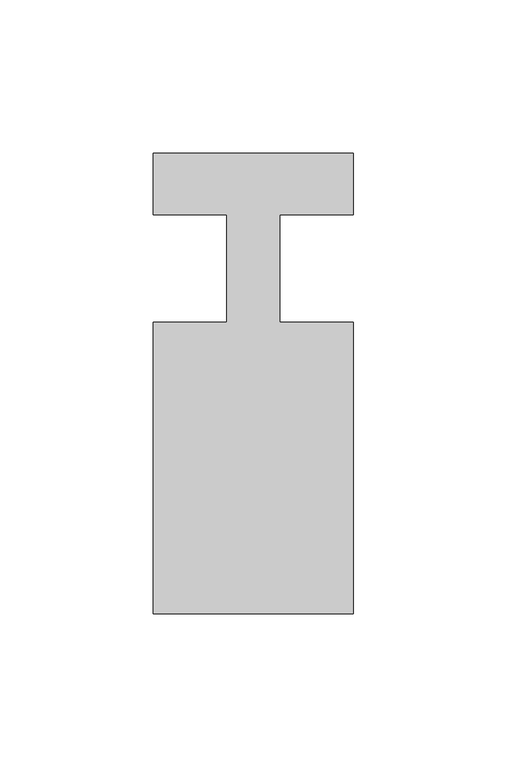
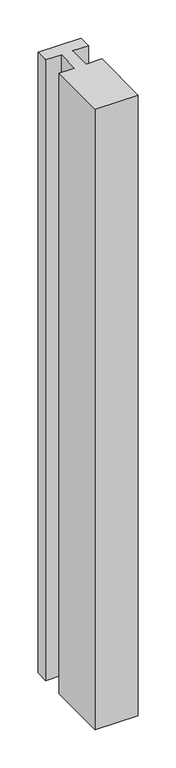
"""IFC4 building model written with IfcOpenShell, lengths in millimetres: member geometry."""

import ifcopenshell
import ifcopenshell.guid

model = None  # the IFC model being written
_history = None  # IfcOwnerHistory: only IFC2X3 demands one
_inside = {}  # id of a spatial element -> (the spatial element, [elements in it])
_under = {}  # id of a project, library or spatial element -> (it, [spatial elements below it])
_declared = {}  # id of a project -> (the project, [libraries it declares])
_typed = {}  # id of a type object -> (the type object, [elements of that type])
_made_of = {}  # id of a material, layer set ... -> (it, [elements and type objects made of it])


def new_model(schema):
    """Start an empty IFC model of exactly this schema.

    Asked for "IFC4X3", IfcOpenShell would pick the latest addendum, in which some entities
    have other attributes; the version numbers below select the first issue.
    IFC2X3 requires an IfcOwnerHistory on every rooted entity: one is made here for all.
    """
    global model, _history
    if schema == "IFC4X3":
        model = ifcopenshell.file(schema_version=(4, 3, 0, 0))
    else:
        model = ifcopenshell.file(schema=schema)
    _inside.clear()
    _under.clear()
    _declared.clear()
    _typed.clear()
    _made_of.clear()
    _history = None
    if model.schema == "IFC2X3":
        org = make("IfcOrganization", Name="unknown")
        user = make(
            "IfcPersonAndOrganization",
            ThePerson=make("IfcPerson", FamilyName="unknown"),
            TheOrganization=org,
        )
        app = make(
            "IfcApplication",
            ApplicationDeveloper=org,
            Version="unknown",
            ApplicationFullName="unknown",
            ApplicationIdentifier="unknown",
        )
        _history = make(
            "IfcOwnerHistory",
            OwningUser=user,
            OwningApplication=app,
            ChangeAction="ADDED",
            CreationDate=0,
        )
    return model


def make(cls, **values):
    """One entity of the class cls with the attributes given. An attribute that is None is left unset."""
    return model.create_entity(
        cls, **{name: value for name, value in values.items() if value is not None}
    )


def rooted(cls, **values):
    """An entity with a GlobalId (a new one), such as an element, a storey or a relation."""
    return make(cls, GlobalId=ifcopenshell.guid.new(), OwnerHistory=_history, **values)


def si_unit(unit_type, name, prefix=None):
    """IfcSIUnit, for example si_unit("LENGTHUNIT", "METRE", prefix="MILLI")."""
    return make("IfcSIUnit", UnitType=unit_type, Prefix=prefix, Name=name)


def assignment(units):
    """IfcUnitAssignment: the units of a project."""
    return None if units is None else make("IfcUnitAssignment", Units=units)


def point(xyz):
    """IfcCartesianPoint."""
    return None if xyz is None else make("IfcCartesianPoint", Coordinates=xyz)


def direction(xyz):
    """IfcDirection."""
    return None if xyz is None else make("IfcDirection", DirectionRatios=xyz)


def frame(location, z_axis=None, x_axis=None):
    """IfcAxis2Placement3D, a coordinate frame: its origin and axes. An axis left out is left unset."""
    return make(
        "IfcAxis2Placement3D",
        Location=point(location),
        Axis=direction(z_axis),
        RefDirection=direction(x_axis),
    )


def origin():
    """The frame at (0, 0, 0) with its axes left unset."""
    return frame((0.0, 0.0, 0.0))


def place(relative_to, where):
    """IfcLocalPlacement: puts the frame where relative to a parent placement (None: the world)."""
    return make(
        "IfcLocalPlacement", PlacementRelTo=relative_to, RelativePlacement=where
    )


def context(
    kind, dimensions, precision=None, world=None, true_north=None, identifier=None
):
    """IfcGeometricRepresentationContext, for example the 3D "Model" context."""
    return make(
        "IfcGeometricRepresentationContext",
        ContextIdentifier=identifier,
        ContextType=kind,
        CoordinateSpaceDimension=dimensions,
        Precision=precision,
        WorldCoordinateSystem=world,
        TrueNorth=true_north,
    )


def project(units=None, contexts=None):
    """IfcProject with its units and contexts."""
    return rooted(
        "IfcProject",
        Name="project",
        RepresentationContexts=contexts,
        UnitsInContext=assignment(units),
    )


def spatial(cls, under=None, at=None, **own):
    """A site, building, storey or space (cls), placed at a placement, below another one or the project."""
    s = rooted(cls, ObjectPlacement=at, **own)
    if under is not None:
        _under.setdefault(under.id(), (under, []))[1].append(s)
    return s


def polyline(points):
    """IfcPolyline through the points."""
    return make("IfcPolyline", Points=[point(p) for p in points])


def outline(outer, holes=None, kind="AREA"):
    """IfcArbitraryClosedProfileDef: a profile drawn as a closed curve; with holes, ...WithVoids."""
    if holes is None:
        return make("IfcArbitraryClosedProfileDef", ProfileType=kind, OuterCurve=outer)
    return make(
        "IfcArbitraryProfileDefWithVoids",
        ProfileType=kind,
        OuterCurve=outer,
        InnerCurves=holes,
    )


def extrude(swept, where, along, depth):
    """IfcExtrudedAreaSolid: the profile swept, set in the frame where, extruded along a direction by depth."""
    return make(
        "IfcExtrudedAreaSolid",
        SweptArea=swept,
        Position=where,
        ExtrudedDirection=direction(along),
        Depth=depth,
    )


def shape(context_of_items, identifier, shape_type, items):
    """IfcShapeRepresentation: the items that make up one representation, for example the "Body"."""
    return make(
        "IfcShapeRepresentation",
        ContextOfItems=context_of_items,
        RepresentationIdentifier=identifier,
        RepresentationType=shape_type,
        Items=items,
    )


def source(mapping_origin, context_of_items, identifier, shape_type, items):
    """IfcRepresentationMap: a shape defined once, which mapped items show again and again."""
    return make(
        "IfcRepresentationMap",
        MappingOrigin=mapping_origin,
        MappedRepresentation=shape(context_of_items, identifier, shape_type, items),
    )


def transform(
    local_origin,
    x_axis=None,
    y_axis=None,
    z_axis=None,
    scale=None,
    scale2=None,
    scale3=None,
    uniform=True,
):
    """IfcCartesianTransformationOperator3D, or its non-uniform kind. x_axis, y_axis, z_axis: its Axis1, 2, 3."""
    if uniform:
        return make(
            "IfcCartesianTransformationOperator3D",
            Axis1=direction(x_axis),
            Axis2=direction(y_axis),
            LocalOrigin=point(local_origin),
            Scale=scale,
            Axis3=direction(z_axis),
        )
    return make(
        "IfcCartesianTransformationOperator3DnonUniform",
        Axis1=direction(x_axis),
        Axis2=direction(y_axis),
        LocalOrigin=point(local_origin),
        Scale=scale,
        Axis3=direction(z_axis),
        Scale2=scale2,
        Scale3=scale3,
    )


def mapped(mapping_source, mapping_target):
    """IfcMappedItem: shows the shape of a source again, moved by a transform."""
    return make(
        "IfcMappedItem", MappingSource=mapping_source, MappingTarget=mapping_target
    )


def made_of(thing, what):
    """Note that an element or type object is made of a material, layer set ...; save() writes the relation."""
    if what is not None:
        _made_of.setdefault(what.id(), (what, []))[1].append(thing)
    return thing


def element(
    cls,
    number,
    at=None,
    inside=None,
    cuts=None,
    type_object=None,
    material=None,
    context=None,
    identifier="Body",
    shape_type=None,
    held_by="IfcProductDefinitionShape",
    body=None,
    shapes=None,
    **own,
):
    """One element of the class cls, such as IfcWall. Its Tag is "e" and its number.

    at: its placement. inside: the storey or other place that contains it. cuts: it is an
    opening in that element (IfcRelVoidsElement). A single representation is given by context,
    identifier, shape_type and body (its items); several are given by shapes. held_by: the class
    of the entity that holds the representations. save() writes the other relations.
    """
    e = rooted(cls, Tag="e%d" % number, ObjectPlacement=at, **own)
    if body is not None:
        shapes = [shape(context, identifier, shape_type, body)]
    if shapes is not None:
        e.Representation = make(held_by, Representations=shapes)
    if inside is not None:
        _inside.setdefault(inside.id(), (inside, []))[1].append(e)
    if cuts is not None:
        rooted(
            "IfcRelVoidsElement", RelatingBuildingElement=cuts, RelatedOpeningElement=e
        )
    if type_object is not None:
        _typed.setdefault(type_object.id(), (type_object, []))[1].append(e)
    return made_of(e, material)


def aggregate(whole, parts):
    """IfcRelAggregates: a whole, such as a stair, and the parts it consists of."""
    return rooted("IfcRelAggregates", RelatingObject=whole, RelatedObjects=parts)


def save(model, path):
    """Write the relations noted so far, then the file.

    IfcRelAggregates (storeys below a building ...), IfcRelContainedInSpatialStructure (elements
    in a storey), IfcRelDefinesByType, IfcRelAssociatesMaterial and IfcRelDeclares: one each for
    every whole, place, type object, material and project.
    """
    for whole, parts in _under.values():
        aggregate(whole, parts)
    for where, things in _inside.values():
        rooted(
            "IfcRelContainedInSpatialStructure",
            RelatedElements=things,
            RelatingStructure=where,
        )
    for kind, things in _typed.values():
        rooted("IfcRelDefinesByType", RelatedObjects=things, RelatingType=kind)
    for what, things in _made_of.values():
        rooted("IfcRelAssociatesMaterial", RelatedObjects=things, RelatingMaterial=what)
    for by, libraries in _declared.values():
        rooted("IfcRelDeclares", RelatingContext=by, RelatedDefinitions=libraries)
    model.write(path)


def member_3ec2237e(model_context):
    return source(origin(), model_context, "Body", "SweptSolid", [
        extrude(outline(polyline([(0.0, 37.0), (0.0, 17.0), (-23.8125, 17.0), (-23.8125, -18.0), (0.0, -18.0), (0.0, -113.0), (-65.0, -113.0), (-65.0, -18.0), (-41.1875, -18.0), (-41.1875, 17.0), (-65.0, 17.0), (-65.0, 37.0), (0.0, 37.0)])), frame((0.0, 0.0, -992.9107143), z_axis=(0.0, 0.0, 1.0), x_axis=(1.0, 0.0, 0.0)), (0.0, 0.0, 1.0), 992.9107143),
    ])


if __name__ == "__main__":
    model = new_model("IFC4")
    model_context = context("Model", 3, world=origin())
    ifc_project = project(units=[si_unit("LENGTHUNIT", "METRE", prefix="MILLI")], contexts=[model_context])
    site = spatial("IfcSite", under=ifc_project)
    building = spatial("IfcBuilding", under=site)
    placement = place(None, origin())
    member_shape = member_3ec2237e(model_context)
    element("IfcMember", 1, at=placement, inside=building, context=model_context, shape_type="MappedRepresentation", body=[
        mapped(member_shape, transform((0.0, 0.0, 0.0), x_axis=(1.0, 0.0, 0.0), y_axis=(0.0, 1.0, 0.0), z_axis=(0.0, 0.0, 1.0))),
    ])
    save(model, "model.ifc")
